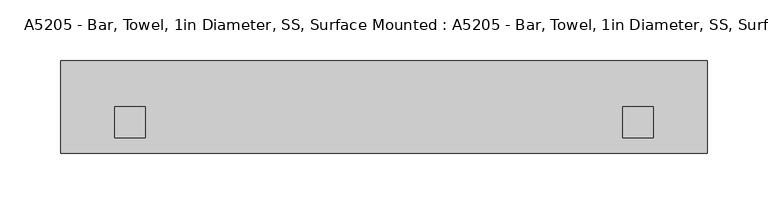
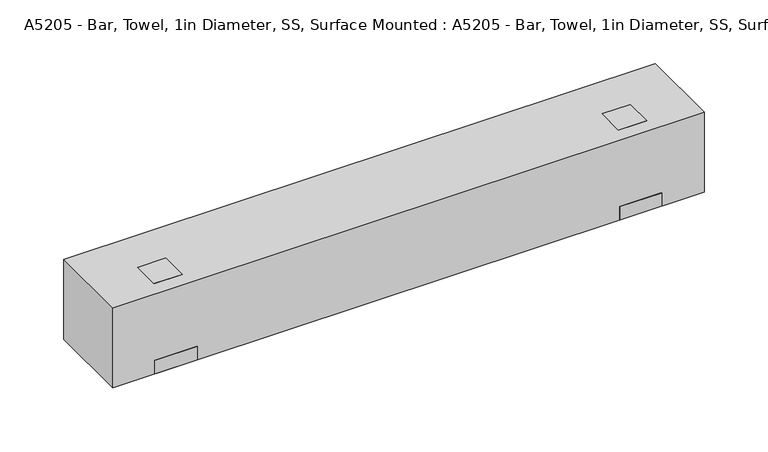
"""IFC4 building model written with IfcOpenShell, lengths in millimetres: proxy geometry, A5205 - Bar, Towel, 1in Diameter, SS, Surface Mounted : A5205 - Bar, Towel, 1in Diameter, SS, Surface Mounted."""

from ifc_helpers import new_model, si_unit, frame, origin, origin_with_axes, place, context, project, spatial, polyline, outline, extrude, source, transform, mapped, element, save


def a5205_bar_towel_1in_diameter_ss_surface_mounted_a5205_bar_0e0df2b7(model_context):
    return source(origin(), model_context, "Body", "SweptSolid", [
        extrude(outline(polyline([(-69.85, 12.7), (-63.5, 76.2), (-38.1, 76.2), (-31.75, 12.7), (-69.85, 12.7)])), frame((-222.25, 0.0, 0.0), z_axis=(1.0, 0.0, 0.0), x_axis=(0.0, 1.0, 0.0)), (0.0, 0.0, 1.0), 25.4),
        extrude(outline(polyline([(-190.5, -76.2), (-228.6, -76.2), (-228.6, -25.4), (-190.5, -25.4), (-190.5, -76.2)])), origin_with_axes(), (0.0, 0.0, 1.0), 12.7),
        extrude(outline(polyline([(196.85, -60.325), (-196.85, -60.325), (-196.85, -41.275), (196.85, -41.275), (196.85, -60.325)])), frame((0.0, 0.0, 50.8), z_axis=(0.0, 0.0, 1.0), x_axis=(1.0, 0.0, 0.0)), (0.0, 0.0, 1.0), 19.05),
        extrude(outline(polyline([(-69.85, 12.7), (-63.5, 76.2), (-38.1, 76.2), (-31.75, 12.7), (-69.85, 12.7)])), frame((196.85, 0.0, 0.0), z_axis=(1.0, 0.0, 0.0), x_axis=(0.0, 1.0, 0.0)), (0.0, 0.0, 1.0), 25.4),
        extrude(outline(polyline([(190.5, -76.2), (190.5, -25.4), (228.6, -25.4), (228.6, -76.2), (190.5, -76.2)])), origin_with_axes(), (0.0, 0.0, 1.0), 12.7),
        extrude(outline(polyline([(266.7, -76.2), (-266.7, -76.2), (-266.7, 0.0), (266.7, 0.0), (266.7, -76.2)])), origin_with_axes(), (0.0, 0.0, 1.0), 76.2),
    ])


if __name__ == "__main__":
    model = new_model("IFC4")
    model_context = context("Model", 3, world=origin())
    ifc_project = project(units=[si_unit("LENGTHUNIT", "METRE", prefix="MILLI")], contexts=[model_context])
    site = spatial("IfcSite", under=ifc_project)
    building = spatial("IfcBuilding", under=site)
    placement = place(None, origin())
    a5205_bar_towel_1in_diameter_ss_surface_mounted_a5205_bar_shape = a5205_bar_towel_1in_diameter_ss_surface_mounted_a5205_bar_0e0df2b7(model_context)
    element("IfcBuildingElementProxy", 1, Name="A5205 - Bar, Towel, 1in Diameter, SS, Surface Mounted : A5205 - Bar, Towel, 1in Diameter, SS, Surface Mounted", ObjectType="A5205 - Bar, Towel, 1in Diameter, SS, Surface Mounted : A5205 - Bar, Towel, 1in Diameter, SS, Surface Mounted", at=placement, inside=building, context=model_context, shape_type="MappedRepresentation", body=[
        mapped(a5205_bar_towel_1in_diameter_ss_surface_mounted_a5205_bar_shape, transform((0.0, 0.0, 0.0), x_axis=(1.0, 0.0, 0.0), y_axis=(0.0, 1.0, 0.0), z_axis=(0.0, 0.0, 1.0))),
    ])
    save(model, "model.ifc")
